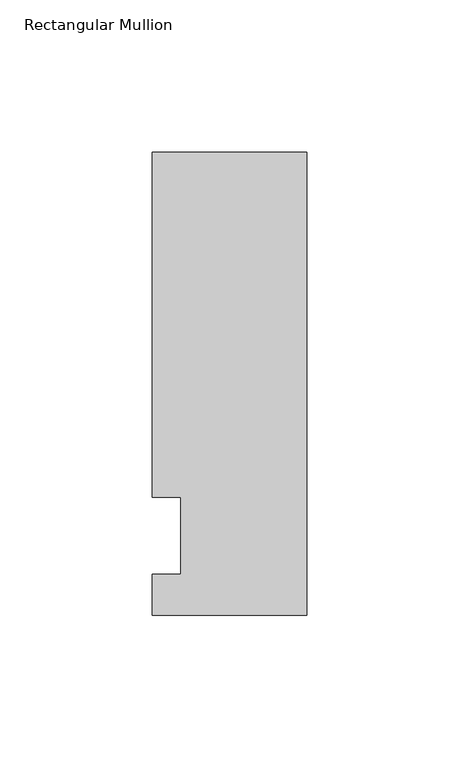
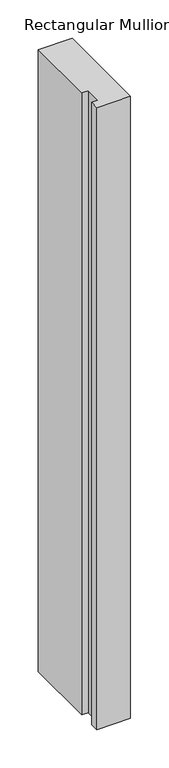
"""IFC4 building model written with IfcOpenShell, lengths in millimetres: member geometry, Rectangular Mullion."""

from ifc_helpers import new_model, si_unit, frame, origin, place, context, project, spatial, polyline, outline, extrude, source, transform, mapped, element, save


def rectangular_mullion_12c87895(model_context):
    return source(origin(), model_context, "Body", "SweptSolid", [
        extrude(outline(polyline([(-50.8, -26.19375), (-50.8, -12.7), (-41.275, -12.7), (-41.275, 12.7), (-50.8, 12.7), (-50.8, 126.20625), (0.0, 126.20625), (0.0, -26.19375), (-50.8, -26.19375)])), frame((0.0, 0.0, -990.6), z_axis=(0.0, 0.0, 1.0), x_axis=(1.0, 0.0, 0.0)), (0.0, 0.0, 1.0), 990.6),
    ])


if __name__ == "__main__":
    model = new_model("IFC4")
    model_context = context("Model", 3, world=origin())
    ifc_project = project(units=[si_unit("LENGTHUNIT", "METRE", prefix="MILLI")], contexts=[model_context])
    site = spatial("IfcSite", under=ifc_project)
    building = spatial("IfcBuilding", under=site)
    placement = place(None, origin())
    rectangular_mullion_shape = rectangular_mullion_12c87895(model_context)
    element("IfcMember", 1, ObjectType="Rectangular Mullion", at=placement, inside=building, context=model_context, shape_type="MappedRepresentation", body=[
        mapped(rectangular_mullion_shape, transform((0.0, 0.0, 0.0), x_axis=(1.0, 0.0, 0.0), y_axis=(0.0, 1.0, 0.0), z_axis=(0.0, 0.0, 1.0))),
    ])
    save(model, "model.ifc")
